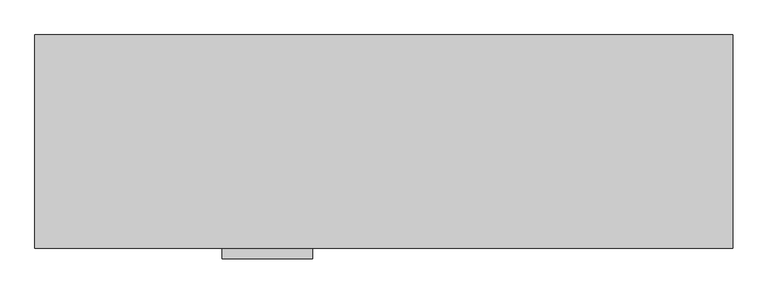
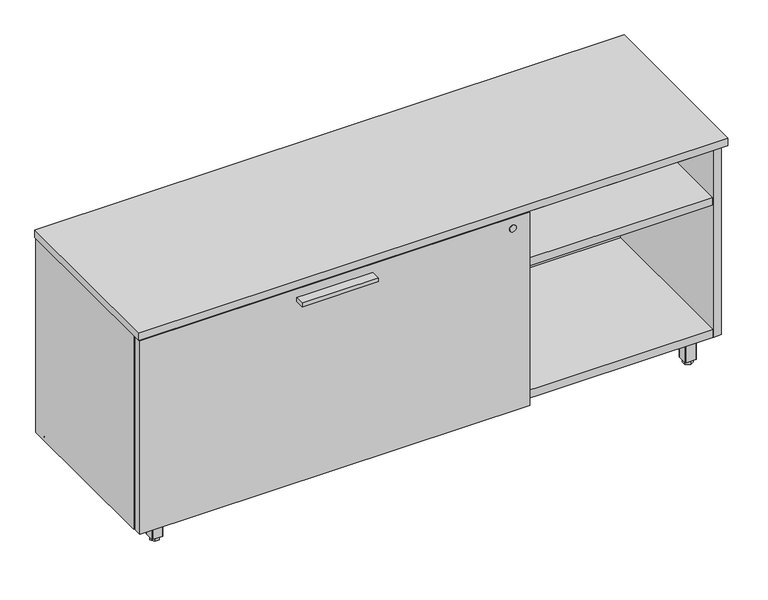
"""IFC4 building model written with IfcOpenShell, lengths in millimetres: furniture geometry."""

from ifc_helpers import new_model, si_unit, point, frame, frame_2d, origin, origin_with_axes, place, context, project, spatial, polyline, circle_curve, trimmed, segment, composite_curve, outline, extrude, source, transform, mapped, element, save


def furniture_e7b29370(model_context):
    return source(origin(), model_context, "Body", "SweptSolid", [
        extrude(outline(polyline([(546.0365, -447.8158592), (368.2365, -447.8158592), (368.2365, -425.5908592), (546.0365, -425.5908592), (546.0365, -447.8158592)])), frame((0.0, 0.0, 506.1508939), z_axis=(0.0, 0.0, 1.0), x_axis=(1.0, 0.0, 0.0)), (0.0, 0.0, 1.0), 9.525),
        extrude(outline(polyline([(70.8025, -367.813183), (76.5175, -377.7118534), (70.8025, -387.6105237), (59.3725, -387.6105237), (53.6575, -377.7118534), (59.3725, -367.813183), (70.8025, -367.813183)])), origin_with_axes(), (0.0, 0.0, 1.0), 9.144),
        extrude(outline(composite_curve([segment(trimmed(circle_curve(frame_2d((65.0875, -377.7118534)), 4.445), [point((69.5325, -377.7118534))], [point((60.6425, -377.7118534))], False, "CARTESIAN"), True, "CONTINUOUS"), segment(trimmed(circle_curve(frame_2d((65.0875, -377.7118534)), 4.445), [point((60.6425, -377.7118534))], [point((69.5325, -377.7118534))], False, "CARTESIAN"), True, "CONTINUOUS")], self_intersect=False)), frame((0.0, 0.0, 7.112), z_axis=(0.0, 0.0, 1.0), x_axis=(1.0, 0.0, 0.0)), (0.0, 0.0, 1.0), 2.032),
        extrude(outline(composite_curve([segment(trimmed(circle_curve(frame_2d((11.1125, -393.5868534)), 3.175), [point((11.1125, -396.7618534))], [point((7.9375, -393.5868534))], False, "CARTESIAN"), True, "CONTINUOUS"), segment(polyline([(7.9375, -393.5868534), (7.9375, -323.7368534)]), True, "CONTINUOUS"), segment(trimmed(circle_curve(frame_2d((11.1125, -323.7368534)), 3.175), [point((7.9375, -323.7368534))], [point((11.1125, -320.5618534))], False, "CARTESIAN"), True, "CONTINUOUS"), segment(polyline([(11.1125, -320.5618534), (80.9625, -320.5618534)]), True, "CONTINUOUS"), segment(trimmed(circle_curve(frame_2d((80.9625, -323.7368534)), 3.175), [point((80.9625, -320.5618534))], [point((84.1375, -323.7368534))], False, "CARTESIAN"), True, "CONTINUOUS"), segment(polyline([(84.1375, -323.7368534), (84.1375, -393.5868534)]), True, "CONTINUOUS"), segment(trimmed(circle_curve(frame_2d((80.9625, -393.5868534)), 3.175), [point((84.1375, -393.5868534))], [point((80.9625, -396.7618534))], False, "CARTESIAN"), True, "CONTINUOUS"), segment(polyline([(80.9625, -396.7618534), (11.1125, -396.7618534)]), True, "CONTINUOUS")], self_intersect=False)), frame((0.0, 0.0, 58.3692), z_axis=(0.0, 0.0, 1.0), x_axis=(1.0, 0.0, 0.0)), (0.0, 0.0, 1.0), 1.89738),
        extrude(outline(composite_curve([segment(polyline([(76.5175, -390.4118534), (53.6575, -390.4118534)]), True, "CONTINUOUS"), segment(trimmed(circle_curve(frame_2d((53.6575, -389.1418534)), 1.27), [point((53.6575, -390.4118534))], [point((52.3875, -389.1418534))], False, "CARTESIAN"), True, "CONTINUOUS"), segment(polyline([(52.3875, -389.1418534), (52.3875, -366.2818534)]), True, "CONTINUOUS"), segment(trimmed(circle_curve(frame_2d((53.6575, -366.2818534)), 1.27), [point((52.3875, -366.2818534))], [point((53.6575, -365.0118534))], False, "CARTESIAN"), True, "CONTINUOUS"), segment(polyline([(53.6575, -365.0118534), (76.5175, -365.0118534)]), True, "CONTINUOUS"), segment(trimmed(circle_curve(frame_2d((76.5175, -366.2818534)), 1.27), [point((76.5175, -365.0118534))], [point((77.7875, -366.2818534))], False, "CARTESIAN"), True, "CONTINUOUS"), segment(polyline([(77.7875, -366.2818534), (77.7875, -389.1418534)]), True, "CONTINUOUS"), segment(trimmed(circle_curve(frame_2d((76.5175, -389.1418534)), 1.27), [point((77.7875, -389.1418534))], [point((76.5175, -390.4118534))], False, "CARTESIAN"), True, "CONTINUOUS")], self_intersect=False)), frame((0.0, 0.0, 9.144), z_axis=(0.0, 0.0, 1.0), x_axis=(1.0, 0.0, 0.0)), (0.0, 0.0, 1.0), 49.2252),
        extrude(outline(polyline([(55.1888296, -42.0508713), (65.0875, -36.3358713), (74.9861704, -42.0508713), (74.9861704, -53.4808713), (65.0875, -59.1958713), (55.1888296, -53.4808713), (55.1888296, -42.0508713)])), origin_with_axes(), (0.0, 0.0, 1.0), 9.144),
        extrude(outline(composite_curve([segment(trimmed(circle_curve(frame_2d((65.0875, -47.7658713)), 4.445), [point((65.0875, -43.3208713))], [point((65.0875, -52.2108713))], False, "CARTESIAN"), True, "CONTINUOUS"), segment(trimmed(circle_curve(frame_2d((65.0875, -47.7658713)), 4.445), [point((65.0875, -52.2108713))], [point((65.0875, -43.3208713))], False, "CARTESIAN"), True, "CONTINUOUS")], self_intersect=False)), frame((0.0, 0.0, 7.112), z_axis=(0.0, 0.0, 1.0), x_axis=(1.0, 0.0, 0.0)), (0.0, 0.0, 1.0), 2.032),
        extrude(outline(composite_curve([segment(trimmed(circle_curve(frame_2d((80.9625, -101.7408713)), 3.175), [point((84.1375, -101.7408713))], [point((80.9625, -104.9158713))], False, "CARTESIAN"), True, "CONTINUOUS"), segment(polyline([(80.9625, -104.9158713), (11.1125, -104.9158713)]), True, "CONTINUOUS"), segment(trimmed(circle_curve(frame_2d((11.1125, -101.7408713)), 3.175), [point((11.1125, -104.9158713))], [point((7.9375, -101.7408713))], False, "CARTESIAN"), True, "CONTINUOUS"), segment(polyline([(7.9375, -101.7408713), (7.9375, -31.8908713)]), True, "CONTINUOUS"), segment(trimmed(circle_curve(frame_2d((11.1125, -31.8908713)), 3.175), [point((7.9375, -31.8908713))], [point((11.1125, -28.7158713))], False, "CARTESIAN"), True, "CONTINUOUS"), segment(polyline([(11.1125, -28.7158713), (80.9625, -28.7158713)]), True, "CONTINUOUS"), segment(trimmed(circle_curve(frame_2d((80.9625, -31.8908713)), 3.175), [point((80.9625, -28.7158713))], [point((84.1375, -31.8908713))], False, "CARTESIAN"), True, "CONTINUOUS"), segment(polyline([(84.1375, -31.8908713), (84.1375, -101.7408713)]), True, "CONTINUOUS")], self_intersect=False)), frame((0.0, 0.0, 58.3692), z_axis=(0.0, 0.0, 1.0), x_axis=(1.0, 0.0, 0.0)), (0.0, 0.0, 1.0), 1.89738),
        extrude(outline(composite_curve([segment(polyline([(77.7875, -36.3358713), (77.7875, -59.1958713)]), True, "CONTINUOUS"), segment(trimmed(circle_curve(frame_2d((76.5175, -59.1958713)), 1.27), [point((77.7875, -59.1958713))], [point((76.5175, -60.4658713))], False, "CARTESIAN"), True, "CONTINUOUS"), segment(polyline([(76.5175, -60.4658713), (53.6575, -60.4658713)]), True, "CONTINUOUS"), segment(trimmed(circle_curve(frame_2d((53.6575, -59.1958713)), 1.27), [point((53.6575, -60.4658713))], [point((52.3875, -59.1958713))], False, "CARTESIAN"), True, "CONTINUOUS"), segment(polyline([(52.3875, -59.1958713), (52.3875, -36.3358713)]), True, "CONTINUOUS"), segment(trimmed(circle_curve(frame_2d((53.6575, -36.3358713)), 1.27), [point((52.3875, -36.3358713))], [point((53.6575, -35.0658713))], False, "CARTESIAN"), True, "CONTINUOUS"), segment(polyline([(53.6575, -35.0658713), (76.5175, -35.0658713)]), True, "CONTINUOUS"), segment(trimmed(circle_curve(frame_2d((76.5175, -36.3358713)), 1.27), [point((76.5175, -35.0658713))], [point((77.7875, -36.3358713))], False, "CARTESIAN"), True, "CONTINUOUS")], self_intersect=False)), frame((0.0, 0.0, 9.144), z_axis=(0.0, 0.0, 1.0), x_axis=(1.0, 0.0, 0.0)), (0.0, 0.0, 1.0), 49.2252),
        extrude(outline(polyline([(1300.7975, -57.6645417), (1295.0825, -47.7658713), (1300.7975, -37.8672009), (1312.2275, -37.8672009), (1317.9425, -47.7658713), (1312.2275, -57.6645417), (1300.7975, -57.6645417)])), origin_with_axes(), (0.0, 0.0, 1.0), 9.144),
        extrude(outline(composite_curve([segment(trimmed(circle_curve(frame_2d((1306.5125, -47.7658713)), 4.445), [point((1302.0675, -47.7658713))], [point((1310.9575, -47.7658713))], False, "CARTESIAN"), True, "CONTINUOUS"), segment(trimmed(circle_curve(frame_2d((1306.5125, -47.7658713)), 4.445), [point((1310.9575, -47.7658713))], [point((1302.0675, -47.7658713))], False, "CARTESIAN"), True, "CONTINUOUS")], self_intersect=False)), frame((0.0, 0.0, 7.112), z_axis=(0.0, 0.0, 1.0), x_axis=(1.0, 0.0, 0.0)), (0.0, 0.0, 1.0), 2.032),
        extrude(outline(composite_curve([segment(trimmed(circle_curve(frame_2d((1360.4875, -31.8908713)), 3.175), [point((1360.4875, -28.7158713))], [point((1363.6625, -31.8908713))], False, "CARTESIAN"), True, "CONTINUOUS"), segment(polyline([(1363.6625, -31.8908713), (1363.6625, -101.7408713)]), True, "CONTINUOUS"), segment(trimmed(circle_curve(frame_2d((1360.4875, -101.7408713)), 3.175), [point((1363.6625, -101.7408713))], [point((1360.4875, -104.9158713))], False, "CARTESIAN"), True, "CONTINUOUS"), segment(polyline([(1360.4875, -104.9158713), (1290.6375, -104.9158713)]), True, "CONTINUOUS"), segment(trimmed(circle_curve(frame_2d((1290.6375, -101.7408713)), 3.175), [point((1290.6375, -104.9158713))], [point((1287.4625, -101.7408713))], False, "CARTESIAN"), True, "CONTINUOUS"), segment(polyline([(1287.4625, -101.7408713), (1287.4625, -31.8908713)]), True, "CONTINUOUS"), segment(trimmed(circle_curve(frame_2d((1290.6375, -31.8908713)), 3.175), [point((1287.4625, -31.8908713))], [point((1290.6375, -28.7158713))], False, "CARTESIAN"), True, "CONTINUOUS"), segment(polyline([(1290.6375, -28.7158713), (1360.4875, -28.7158713)]), True, "CONTINUOUS")], self_intersect=False)), frame((0.0, 0.0, 58.3692), z_axis=(0.0, 0.0, 1.0), x_axis=(1.0, 0.0, 0.0)), (0.0, 0.0, 1.0), 1.89738),
        extrude(outline(composite_curve([segment(polyline([(1295.0825, -35.0658713), (1317.9425, -35.0658713)]), True, "CONTINUOUS"), segment(trimmed(circle_curve(frame_2d((1317.9425, -36.3358713)), 1.27), [point((1317.9425, -35.0658713))], [point((1319.2125, -36.3358713))], False, "CARTESIAN"), True, "CONTINUOUS"), segment(polyline([(1319.2125, -36.3358713), (1319.2125, -59.1958713)]), True, "CONTINUOUS"), segment(trimmed(circle_curve(frame_2d((1317.9425, -59.1958713)), 1.27), [point((1319.2125, -59.1958713))], [point((1317.9425, -60.4658713))], False, "CARTESIAN"), True, "CONTINUOUS"), segment(polyline([(1317.9425, -60.4658713), (1295.0825, -60.4658713)]), True, "CONTINUOUS"), segment(trimmed(circle_curve(frame_2d((1295.0825, -59.1958713)), 1.27), [point((1295.0825, -60.4658713))], [point((1293.8125, -59.1958713))], False, "CARTESIAN"), True, "CONTINUOUS"), segment(polyline([(1293.8125, -59.1958713), (1293.8125, -36.3358713)]), True, "CONTINUOUS"), segment(trimmed(circle_curve(frame_2d((1295.0825, -36.3358713)), 1.27), [point((1293.8125, -36.3358713))], [point((1295.0825, -35.0658713))], False, "CARTESIAN"), True, "CONTINUOUS")], self_intersect=False)), frame((0.0, 0.0, 9.144), z_axis=(0.0, 0.0, 1.0), x_axis=(1.0, 0.0, 0.0)), (0.0, 0.0, 1.0), 49.2252),
        extrude(outline(polyline([(1316.4111704, -383.4268534), (1306.5125, -389.1418534), (1296.6138296, -383.4268534), (1296.6138296, -371.9968534), (1306.5125, -366.2818534), (1316.4111704, -371.9968534), (1316.4111704, -383.4268534)])), origin_with_axes(), (0.0, 0.0, 1.0), 9.144),
        extrude(outline(composite_curve([segment(trimmed(circle_curve(frame_2d((1306.5125, -377.7118534)), 4.445), [point((1306.5125, -382.1568534))], [point((1306.5125, -373.2668534))], False, "CARTESIAN"), True, "CONTINUOUS"), segment(trimmed(circle_curve(frame_2d((1306.5125, -377.7118534)), 4.445), [point((1306.5125, -373.2668534))], [point((1306.5125, -382.1568534))], False, "CARTESIAN"), True, "CONTINUOUS")], self_intersect=False)), frame((0.0, 0.0, 7.112), z_axis=(0.0, 0.0, 1.0), x_axis=(1.0, 0.0, 0.0)), (0.0, 0.0, 1.0), 2.032),
        extrude(outline(composite_curve([segment(trimmed(circle_curve(frame_2d((1290.6375, -323.7368534)), 3.175), [point((1287.4625, -323.7368534))], [point((1290.6375, -320.5618534))], False, "CARTESIAN"), True, "CONTINUOUS"), segment(polyline([(1290.6375, -320.5618534), (1360.4875, -320.5618534)]), True, "CONTINUOUS"), segment(trimmed(circle_curve(frame_2d((1360.4875, -323.7368534)), 3.175), [point((1360.4875, -320.5618534))], [point((1363.6625, -323.7368534))], False, "CARTESIAN"), True, "CONTINUOUS"), segment(polyline([(1363.6625, -323.7368534), (1363.6625, -393.5868534)]), True, "CONTINUOUS"), segment(trimmed(circle_curve(frame_2d((1360.4875, -393.5868534)), 3.175), [point((1363.6625, -393.5868534))], [point((1360.4875, -396.7618534))], False, "CARTESIAN"), True, "CONTINUOUS"), segment(polyline([(1360.4875, -396.7618534), (1290.6375, -396.7618534)]), True, "CONTINUOUS"), segment(trimmed(circle_curve(frame_2d((1290.6375, -393.5868534)), 3.175), [point((1290.6375, -396.7618534))], [point((1287.4625, -393.5868534))], False, "CARTESIAN"), True, "CONTINUOUS"), segment(polyline([(1287.4625, -393.5868534), (1287.4625, -323.7368534)]), True, "CONTINUOUS")], self_intersect=False)), frame((0.0, 0.0, 58.3692), z_axis=(0.0, 0.0, 1.0), x_axis=(1.0, 0.0, 0.0)), (0.0, 0.0, 1.0), 1.89738),
        extrude(outline(composite_curve([segment(polyline([(1293.8125, -389.1418534), (1293.8125, -366.2818534)]), True, "CONTINUOUS"), segment(trimmed(circle_curve(frame_2d((1295.0825, -366.2818534)), 1.27), [point((1293.8125, -366.2818534))], [point((1295.0825, -365.0118534))], False, "CARTESIAN"), True, "CONTINUOUS"), segment(polyline([(1295.0825, -365.0118534), (1317.9425, -365.0118534)]), True, "CONTINUOUS"), segment(trimmed(circle_curve(frame_2d((1317.9425, -366.2818534)), 1.27), [point((1317.9425, -365.0118534))], [point((1319.2125, -366.2818534))], False, "CARTESIAN"), True, "CONTINUOUS"), segment(polyline([(1319.2125, -366.2818534), (1319.2125, -389.1418534)]), True, "CONTINUOUS"), segment(trimmed(circle_curve(frame_2d((1317.9425, -389.1418534)), 1.27), [point((1319.2125, -389.1418534))], [point((1317.9425, -390.4118534))], False, "CARTESIAN"), True, "CONTINUOUS"), segment(polyline([(1317.9425, -390.4118534), (1295.0825, -390.4118534)]), True, "CONTINUOUS"), segment(trimmed(circle_curve(frame_2d((1295.0825, -389.1418534)), 1.27), [point((1295.0825, -390.4118534))], [point((1293.8125, -389.1418534))], False, "CARTESIAN"), True, "CONTINUOUS")], self_intersect=False)), frame((0.0, 0.0, 9.144), z_axis=(0.0, 0.0, 1.0), x_axis=(1.0, 0.0, 0.0)), (0.0, 0.0, 1.0), 49.2252),
        extrude(outline(polyline([(3.175, -406.2868776), (911.098, -406.2868776), (911.098, -425.5908592), (3.175, -425.5908592), (3.175, -406.2868776)])), frame((0.0, 0.0, 60.26658), z_axis=(0.0, 0.0, 1.0), x_axis=(1.0, 0.0, 0.0)), (0.0, 0.0, 1.0), 476.0468139),
        extrude(outline(polyline([(1350.7085154, -30.4938704), (1350.7085154, -402.7308447), (20.8915005, -402.7308447), (20.8915005, -30.4938704), (1350.7085154, -30.4938704)])), frame((0.0, 0.0, 520.1843787), z_axis=(0.0, 0.0, 1.0), x_axis=(1.0, 0.0, 0.0)), (0.0, 0.0, 1.0), 19.304),
        extrude(outline(polyline([(912.6855, -30.4938704), (912.6855, -401.5878548), (893.3815, -401.5878548), (893.3815, -30.4938704), (912.6855, -30.4938704)])), frame((0.0, 0.0, 79.57058), z_axis=(0.0, 0.0, 1.0), x_axis=(1.0, 0.0, 0.0)), (0.0, 0.0, 1.0), 440.6137987),
        extrude(outline(polyline([(1350.7085, -30.4938704), (1350.7085, -400.8258374), (912.6855, -400.8258374), (912.6855, -30.4938704), (1350.7085, -30.4938704)])), frame((0.0, 0.0, 384.3705787), z_axis=(0.0, 0.0, 1.0), x_axis=(1.0, 0.0, 0.0)), (0.0, 0.0, 1.0), 19.304),
        extrude(outline(polyline([(1371.6, -8.0783713), (1371.6, -427.1783713), (0.0, -427.1783713), (0.0, -8.0783713), (1371.6, -8.0783713)])), frame((0.0, 0.0, 539.4883818), z_axis=(0.0, 0.0, 1.0), x_axis=(1.0, 0.0, 0.0)), (0.0, 0.0, 1.0), 19.0499969),
        extrude(outline(polyline([(1350.7085154, -30.4938704), (1350.7085154, -402.7308447), (20.8915005, -402.7308447), (20.8915005, -30.4938704), (1350.7085154, -30.4938704)])), frame((0.0, 0.0, 60.26658), z_axis=(0.0, 0.0, 1.0), x_axis=(1.0, 0.0, 0.0)), (0.0, 0.0, 1.0), 19.304),
        extrude(outline(polyline([(1350.7085154, -11.1898712), (1350.7085154, -30.4938704), (20.8915005, -30.4938704), (20.8915005, -11.1898712), (1350.7085154, -11.1898712)])), frame((0.0, 0.0, 60.26658), z_axis=(0.0, 0.0, 1.0), x_axis=(1.0, 0.0, 0.0)), (0.0, 0.0, 1.0), 479.2217987),
        extrude(outline(polyline([(20.8915005, -9.6658713), (20.8915005, -403.1118534), (1.5875, -403.1118534), (1.5875, -9.6658713), (20.8915005, -9.6658713)])), frame((0.0, 0.0, 60.26658), z_axis=(0.0, 0.0, 1.0), x_axis=(1.0, 0.0, 0.0)), (0.0, 0.0, 1.0), 479.2217987),
        extrude(outline(polyline([(1350.7085154, -9.6658713), (1370.0125158, -9.6658713), (1370.0125158, -403.1118534), (1350.7085154, -403.1118534), (1350.7085154, -9.6658713)])), frame((0.0, 0.0, 60.26658), z_axis=(0.0, 0.0, 1.0), x_axis=(1.0, 0.0, 0.0)), (0.0, 0.0, 1.0), 479.2217987),
        extrude(outline(composite_curve([segment(trimmed(circle_curve(frame_2d((510.9133939, 871.093)), 8.001), [point((510.9133939, 879.094))], [point((510.9133939, 863.092))], False, "CARTESIAN"), True, "CONTINUOUS"), segment(trimmed(circle_curve(frame_2d((510.9133939, 871.093)), 8.001), [point((510.9133939, 863.092))], [point((510.9133939, 879.094))], False, "CARTESIAN"), True, "CONTINUOUS")], self_intersect=False)), frame((0.0, -427.1783713, 0.0), z_axis=(0.0, 1.0, 0.0), x_axis=(0.0, 0.0, 1.0)), (0.0, 0.0, 1.0), 1.5875121),
    ])


if __name__ == "__main__":
    model = new_model("IFC4")
    model_context = context("Model", 3, world=origin())
    ifc_project = project(units=[si_unit("LENGTHUNIT", "METRE", prefix="MILLI")], contexts=[model_context])
    site = spatial("IfcSite", under=ifc_project)
    building = spatial("IfcBuilding", under=site)
    placement = place(None, origin())
    furniture_shape = furniture_e7b29370(model_context)
    element("IfcFurniture", 1, at=placement, inside=building, context=model_context, shape_type="MappedRepresentation", body=[
        mapped(furniture_shape, transform((0.0, 0.0, 0.0), x_axis=(1.0, 0.0, 0.0), y_axis=(0.0, 1.0, 0.0), z_axis=(0.0, 0.0, 1.0))),
    ])
    save(model, "model.ifc")
